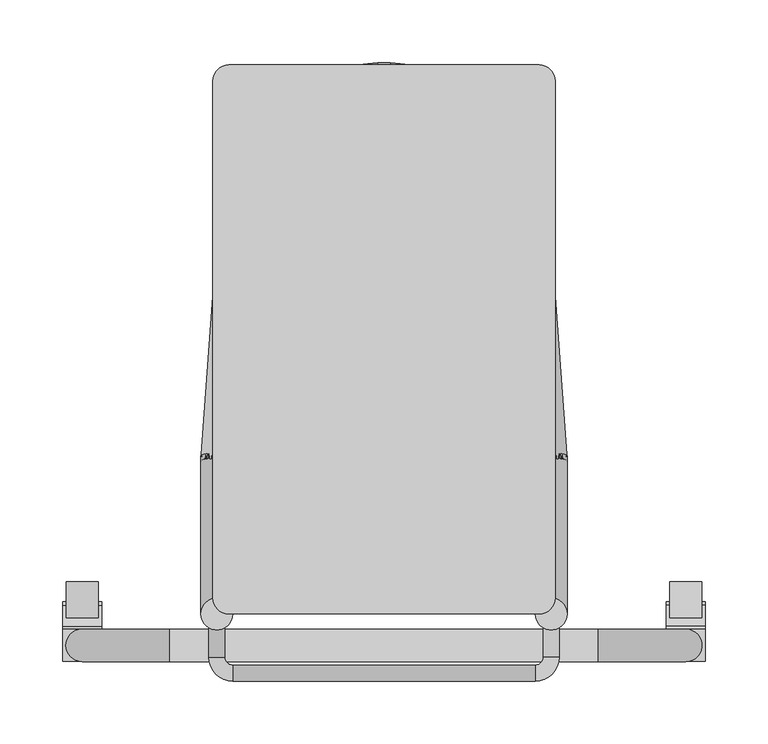
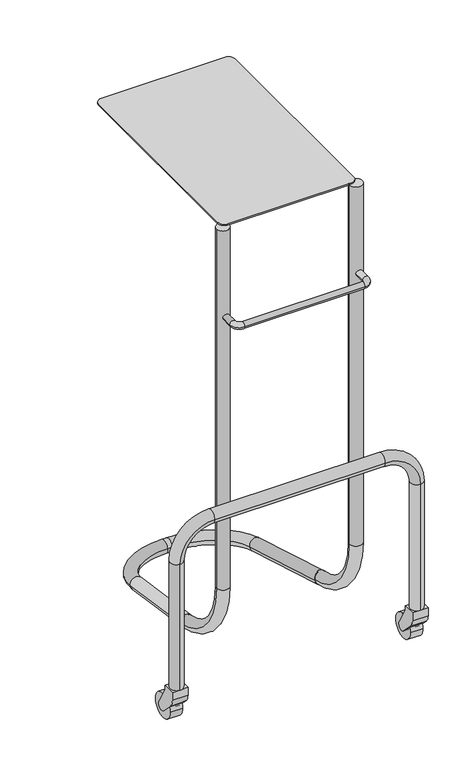
"""IFC4 building model written with IfcOpenShell, lengths in millimetres: proxy geometry."""

from ifc_helpers import new_model, si_unit, point, frame, frame_2d, origin, place, context, project, spatial, polyline, circle_curve, ellipse_curve, trimmed, segment, composite_curve, outline, extrude, source, transform, mapped, element, save
from ifc_brep_helpers import plane_surface, cylinder_surface, revolved_surface, advanced_brep


def specialty_equipment_4f1d01a6(model_context):
    return source(origin(), model_context, "Body", "SolidModel", [
        advanced_brep(
        [(-126.6890783, -210.8754424, 812.8), (-139.3890783, -210.8754424, 812.8), (-139.3890783, -236.2754424, 812.8), (-126.6890783, -236.2754424, 812.8), (-120.3390783, -255.3254424, 812.8), (-120.3390783, -242.6254424, 812.8), (120.9609217, -255.3254424, 812.8), (120.9609217, -242.6254424, 812.8), (140.0109217, -236.2754424, 812.8), (127.3109217, -236.2754424, 812.8), (127.3109217, -210.8754424, 812.8), (140.0109217, -210.8754424, 812.8)],
        [
            (0, 1, circle_curve(frame((-133.0390783, -210.8754424, 812.8), z_axis=(0.0, 1.0, 0.0), x_axis=(-1.0, 0.0, 0.0)), 6.35)),
            (1, 0, circle_curve(frame((-133.0390783, -210.8754424, 812.8), z_axis=(0.0, 1.0, 0.0), x_axis=(-1.0, 0.0, 0.0)), 6.35)),
            (1, 2),
            (2, 3, circle_curve(frame((-133.0390783, -236.2754424, 812.8), z_axis=(0.0, 1.0, 0.0), x_axis=(-1.0, 0.0, 0.0)), 6.35)),
            (3, 0),
            (3, 2, circle_curve(frame((-133.0390783, -236.2754424, 812.8), z_axis=(0.0, 1.0, 0.0), x_axis=(-1.0, 0.0, 0.0)), 6.35)),
            (4, 5, circle_curve(frame((-120.3390783, -248.9754424, 812.8), z_axis=(-1.0, 0.0, 0.0), x_axis=(0.0, -1.0, 0.0)), 6.35)),
            (5, 3, circle_curve(frame((-120.3390783, -236.2754424, 812.8), z_axis=(0.0, 0.0, -1.0), x_axis=(-1.0, 0.0, 0.0)), 6.35)),
            (2, 4, circle_curve(frame((-120.3390783, -236.2754424, 812.8), z_axis=(0.0, 0.0, 1.0), x_axis=(-1.0, 0.0, 0.0)), 19.05)),
            (5, 4, circle_curve(frame((-120.3390783, -248.9754424, 812.8), z_axis=(-1.0, 0.0, 0.0), x_axis=(0.0, -1.0, 0.0)), 6.35)),
            (4, 6),
            (6, 7, circle_curve(frame((120.9609217, -248.9754424, 812.8), z_axis=(-1.0, 0.0, 0.0), x_axis=(0.0, -1.0, 0.0)), 6.35)),
            (7, 5),
            (7, 6, circle_curve(frame((120.9609217, -248.9754424, 812.8), z_axis=(-1.0, 0.0, 0.0), x_axis=(0.0, -1.0, 0.0)), 6.35)),
            (8, 9, circle_curve(frame((133.6609217, -236.2754424, 812.8), z_axis=(0.0, -1.0, 0.0), x_axis=(1.0, 0.0, 0.0)), 6.35)),
            (9, 7, circle_curve(frame((120.9609217, -236.2754424, 812.8), z_axis=(0.0, 0.0, -1.0), x_axis=(0.0, -1.0, 0.0)), 6.35)),
            (6, 8, circle_curve(frame((120.9609217, -236.2754424, 812.8), z_axis=(0.0, 0.0, 1.0), x_axis=(0.0, -1.0, 0.0)), 19.05)),
            (9, 8, circle_curve(frame((133.6609217, -236.2754424, 812.8), z_axis=(0.0, -1.0, 0.0), x_axis=(1.0, 0.0, 0.0)), 6.35)),
            (10, 11, circle_curve(frame((133.6609217, -210.8754424, 812.8), z_axis=(0.0, 1.0, 0.0), x_axis=(1.0, 0.0, 0.0)), 6.35)),
            (11, 10, circle_curve(frame((133.6609217, -210.8754424, 812.8), z_axis=(0.0, 1.0, 0.0), x_axis=(1.0, 0.0, 0.0)), 6.35)),
            (8, 11),
            (10, 9),
        ],
        [
            plane_surface(frame((-133.0390783, -210.8754424, 0.0), z_axis=(0.0, 1.0, 0.0), x_axis=(0.0, 0.0, 1.0))),
            cylinder_surface(frame((-133.0390783, -210.8754424, 812.8), z_axis=(0.0, 1.0, 0.0), x_axis=(-1.0, 0.0, 0.0)), 6.35),
            revolved_surface(trimmed(ellipse_curve(frame((-133.0390783, -236.2754424, 812.8), z_axis=(0.0, -1.0, 0.0), x_axis=(-1.0, 0.0, 0.0)), 6.35, 6.35), [point((-126.6890783, -236.2754424, 812.8))], [point((-139.3890783, -236.2754424, 812.8))], True, "CARTESIAN"), (-120.3390783, -236.2754424, 0.0), (0.0, 0.0, -1.0)),
            revolved_surface(trimmed(ellipse_curve(frame((-133.0390783, -236.2754424, 812.8), z_axis=(0.0, -1.0, 0.0), x_axis=(-1.0, 0.0, 0.0)), 6.35, 6.35), [point((-139.3890783, -236.2754424, 812.8))], [point((-126.6890783, -236.2754424, 812.8))], True, "CARTESIAN"), (-120.3390783, -236.2754424, 0.0), (0.0, 0.0, -1.0)),
            cylinder_surface(frame((-120.3390783, -248.9754424, 812.8), z_axis=(-1.0, 0.0, 0.0), x_axis=(0.0, -1.0, 0.0)), 6.35),
            revolved_surface(trimmed(ellipse_curve(frame((120.9609217, -248.9754424, 812.8), z_axis=(1.0, 0.0, 0.0), x_axis=(0.0, -1.0, 0.0)), 6.35, 6.35), [point((120.9609217, -242.6254424, 812.8))], [point((120.9609217, -255.3254424, 812.8))], True, "CARTESIAN"), (120.9609217, -236.2754424, 0.0), (0.0, 0.0, -1.0)),
            revolved_surface(trimmed(ellipse_curve(frame((120.9609217, -248.9754424, 812.8), z_axis=(1.0, 0.0, 0.0), x_axis=(0.0, -1.0, 0.0)), 6.35, 6.35), [point((120.9609217, -255.3254424, 812.8))], [point((120.9609217, -242.6254424, 812.8))], True, "CARTESIAN"), (120.9609217, -236.2754424, 0.0), (0.0, 0.0, -1.0)),
            plane_surface(frame((133.6609217, -210.8754424, 0.0), z_axis=(0.0, 1.0, 0.0), x_axis=(0.0, 0.0, 1.0))),
            cylinder_surface(frame((133.6609217, -236.2754424, 812.8), z_axis=(0.0, -1.0, 0.0), x_axis=(1.0, 0.0, 0.0)), 6.35),
        ],
        [
            (0, [[1, 2]]),
            (1, [[3, 4, 5, -2]]),
            (1, [[-5, 6, -3, -1]]),
            (2, [[7, 8, -4, 9]]),
            (3, [[10, -9, -6, -8]]),
            (4, [[11, 12, 13, -7]]),
            (4, [[-13, 14, -11, -10]]),
            (5, [[15, 16, -12, 17]]),
            (6, [[18, -17, -14, -16]]),
            (7, [[19, 20]]),
            (8, [[21, -19, 22, -15]]),
            (8, [[-22, -20, -21, -18]]),
        ],
    ),
        advanced_brep(
        [(241.1146411, -213.8046841, 76.2), (241.1146411, -239.7603256, 76.2), (241.1146411, -239.7603256, 342.9), (241.1146411, -213.8046841, 342.9), (171.2646411, -239.7603256, 412.75), (171.2646411, -213.8046841, 412.75), (-170.6427977, -239.7603256, 412.75), (-170.6427977, -213.8046841, 412.75), (-240.4927977, -239.7603256, 342.9), (-240.4927977, -213.8046841, 342.9), (-240.4927977, -213.8046841, 76.2), (-240.4927977, -239.7603256, 76.2)],
        [
            (0, 1, circle_curve(frame((241.1146411, -226.7825049, 76.2), z_axis=(0.0, 0.0, -1.0), x_axis=(0.0, -1.0, 0.0)), 12.9778207)),
            (1, 0, circle_curve(frame((241.1146411, -226.7825049, 76.2), z_axis=(0.0, 0.0, -1.0), x_axis=(0.0, -1.0, 0.0)), 12.9778207)),
            (1, 2),
            (2, 3, circle_curve(frame((241.1146411, -226.7825049, 342.9), z_axis=(0.0, 0.0, -1.0), x_axis=(0.0, -1.0, 0.0)), 12.9778207)),
            (3, 0),
            (3, 2, circle_curve(frame((241.1146411, -226.7825049, 342.9), z_axis=(0.0, 0.0, -1.0), x_axis=(0.0, -1.0, 0.0)), 12.9778207)),
            (4, 5, circle_curve(frame((171.2646411, -226.7825049, 412.75), z_axis=(1.0, 0.0, 0.0), x_axis=(0.0, -1.0, 0.0)), 12.9778207)),
            (5, 3, circle_curve(frame((171.2646411, -213.8046841, 342.9), z_axis=(0.0, 1.0, 0.0), x_axis=(1.0, 0.0, 0.0)), 69.85)),
            (2, 4, circle_curve(frame((171.2646411, -239.7603256, 342.9), z_axis=(0.0, -1.0, 0.0), x_axis=(1.0, 0.0, 0.0)), 69.85)),
            (5, 4, circle_curve(frame((171.2646411, -226.7825049, 412.75), z_axis=(1.0, 0.0, 0.0), x_axis=(0.0, -1.0, 0.0)), 12.9778207)),
            (4, 6),
            (6, 7, circle_curve(frame((-170.6427977, -226.7825049, 412.75), z_axis=(1.0, 0.0, 0.0), x_axis=(0.0, -1.0, 0.0)), 12.9778207)),
            (7, 5),
            (7, 6, circle_curve(frame((-170.6427977, -226.7825049, 412.75), z_axis=(1.0, 0.0, 0.0), x_axis=(0.0, -1.0, 0.0)), 12.9778207)),
            (8, 9, circle_curve(frame((-240.4927977, -226.7825049, 342.9), z_axis=(0.0, 0.0, 1.0), x_axis=(0.0, -1.0, 0.0)), 12.9778207)),
            (9, 7, circle_curve(frame((-170.6427977, -213.8046841, 342.9), z_axis=(0.0, 1.0, 0.0), x_axis=(0.0, 0.0, 1.0)), 69.85)),
            (6, 8, circle_curve(frame((-170.6427977, -239.7603256, 342.9), z_axis=(0.0, -1.0, 0.0), x_axis=(0.0, 0.0, 1.0)), 69.85)),
            (9, 8, circle_curve(frame((-240.4927977, -226.7825049, 342.9), z_axis=(0.0, 0.0, 1.0), x_axis=(0.0, -1.0, 0.0)), 12.9778207)),
            (10, 11, circle_curve(frame((-240.4927977, -226.7825049, 76.2), z_axis=(0.0, 0.0, -1.0), x_axis=(0.0, -1.0, 0.0)), 12.9778207)),
            (11, 10, circle_curve(frame((-240.4927977, -226.7825049, 76.2), z_axis=(0.0, 0.0, -1.0), x_axis=(0.0, -1.0, 0.0)), 12.9778207)),
            (8, 11),
            (10, 9),
        ],
        [
            plane_surface(frame((241.1146411, 17.2197448, 76.2), z_axis=(0.0, 0.0, -1.0), x_axis=(0.0, -1.0, 0.0))),
            cylinder_surface(frame((241.1146411, -226.7825049, 76.2), z_axis=(0.0, 0.0, -1.0), x_axis=(0.0, -1.0, 0.0)), 12.9778207),
            revolved_surface(trimmed(ellipse_curve(frame((241.1146411, -226.7825049, 342.9), z_axis=(0.0, 0.0, 1.0), x_axis=(0.0, -1.0, 0.0)), 12.9778207, 12.9778207), [point((241.1146411, -213.8046841, 342.9))], [point((241.1146411, -239.7603256, 342.9))], True, "CARTESIAN"), (171.2646411, 17.2197448, 342.9), (0.0, 1.0, 0.0)),
            revolved_surface(trimmed(ellipse_curve(frame((241.1146411, -226.7825049, 342.9), z_axis=(0.0, 0.0, 1.0), x_axis=(0.0, -1.0, 0.0)), 12.9778207, 12.9778207), [point((241.1146411, -239.7603256, 342.9))], [point((241.1146411, -213.8046841, 342.9))], True, "CARTESIAN"), (171.2646411, 17.2197448, 342.9), (0.0, 1.0, 0.0)),
            cylinder_surface(frame((171.2646411, -226.7825049, 412.75), z_axis=(1.0, 0.0, 0.0), x_axis=(0.0, -1.0, 0.0)), 12.9778207),
            revolved_surface(trimmed(ellipse_curve(frame((-170.6427977, -226.7825049, 412.75), z_axis=(-1.0, 0.0, 0.0), x_axis=(0.0, -1.0, 0.0)), 12.9778207, 12.9778207), [point((-170.6427977, -213.8046841, 412.75))], [point((-170.6427977, -239.7603256, 412.75))], True, "CARTESIAN"), (-170.6427977, 17.2197448, 342.9), (0.0, 1.0, 0.0)),
            revolved_surface(trimmed(ellipse_curve(frame((-170.6427977, -226.7825049, 412.75), z_axis=(-1.0, 0.0, 0.0), x_axis=(0.0, -1.0, 0.0)), 12.9778207, 12.9778207), [point((-170.6427977, -239.7603256, 412.75))], [point((-170.6427977, -213.8046841, 412.75))], True, "CARTESIAN"), (-170.6427977, 17.2197448, 342.9), (0.0, 1.0, 0.0)),
            plane_surface(frame((-240.4927977, 17.2197448, 76.2), z_axis=(0.0, 0.0, -1.0), x_axis=(0.0, -1.0, 0.0))),
            cylinder_surface(frame((-240.4927977, -226.7825049, 342.9), z_axis=(0.0, 0.0, 1.0), x_axis=(0.0, -1.0, 0.0)), 12.9778207),
        ],
        [
            (0, [[1, 2]]),
            (1, [[3, 4, 5, -2]]),
            (1, [[-5, 6, -3, -1]]),
            (2, [[7, 8, -4, 9]]),
            (3, [[10, -9, -6, -8]]),
            (4, [[11, 12, 13, -7]]),
            (4, [[-13, 14, -11, -10]]),
            (5, [[15, 16, -12, 17]]),
            (6, [[18, -17, -14, -16]]),
            (7, [[19, 20]]),
            (8, [[21, -19, 22, -15]]),
            (8, [[-22, -20, -21, -18]]),
        ],
    ),
        extrude(outline(composite_curve([segment(polyline([(-239.5519774, 59.8228937), (-239.5519774, 76.2), (-214.0560132, 76.2), (-214.0560132, 70.2023074)]), True, "CONTINUOUS"), segment(trimmed(circle_curve(frame_2d((-194.9390027, 71.1049701)), 19.1383095), [point((-214.0560132, 70.2023074))], [point((-211.5132649, 61.5358153))], True, "CARTESIAN"), True, "CONTINUOUS"), segment(polyline([(-211.5132649, 61.5358153), (-194.8726414, 32.7134099)]), True, "CONTINUOUS"), segment(trimmed(circle_curve(frame_2d((-201.6078335, 25.9782178)), 9.525), [point((-194.8726414, 32.7134099))], [point((-208.3430256, 19.2430257))], False, "CARTESIAN"), True, "CONTINUOUS"), segment(polyline([(-208.3430256, 19.2430257), (-232.5453683, 43.4453685)]), True, "CONTINUOUS"), segment(trimmed(circle_curve(frame_2d((-216.9079352, 59.8228937)), 22.6440422), [point((-232.5453683, 43.4453685))], [point((-239.5519774, 59.8228937))], False, "CARTESIAN"), True, "CONTINUOUS")], self_intersect=False)), frame((225.5357109, 0.0, 0.0), z_axis=(1.0, 0.0, 0.0), x_axis=(0.0, 1.0, 0.0)), (0.0, 0.0, 1.0), 31.1578605),
        extrude(outline(composite_curve([segment(trimmed(circle_curve(frame_2d((-201.4519773, 25.4)), 25.4), [point((-176.0519773, 25.4))], [point((-226.8519773, 25.4))], False, "CARTESIAN"), True, "CONTINUOUS"), segment(trimmed(circle_curve(frame_2d((-201.4519773, 25.4)), 25.4), [point((-226.8519773, 25.4))], [point((-176.0519773, 25.4))], False, "CARTESIAN"), True, "CONTINUOUS")], self_intersect=False)), frame((228.4777015, 0.0, 0.0), z_axis=(1.0, 0.0, 0.0), x_axis=(0.0, 1.0, 0.0)), (0.0, 0.0, 1.0), 25.4),
        extrude(outline(composite_curve([segment(polyline([(-239.5519774, 59.8228937), (-239.5519774, 76.2), (-214.0560132, 76.2), (-214.0560132, 70.2023074)]), True, "CONTINUOUS"), segment(trimmed(circle_curve(frame_2d((-194.9390027, 71.1049701)), 19.1383095), [point((-214.0560132, 70.2023074))], [point((-211.5132649, 61.5358153))], True, "CARTESIAN"), True, "CONTINUOUS"), segment(polyline([(-211.5132649, 61.5358153), (-194.8726414, 32.7134099)]), True, "CONTINUOUS"), segment(trimmed(circle_curve(frame_2d((-201.6078335, 25.9782178)), 9.525), [point((-194.8726414, 32.7134099))], [point((-208.3430256, 19.2430257))], False, "CARTESIAN"), True, "CONTINUOUS"), segment(polyline([(-208.3430256, 19.2430257), (-232.5453683, 43.4453685)]), True, "CONTINUOUS"), segment(trimmed(circle_curve(frame_2d((-216.9079352, 59.8228937)), 22.6440422), [point((-232.5453683, 43.4453685))], [point((-239.5519774, 59.8228937))], False, "CARTESIAN"), True, "CONTINUOUS")], self_intersect=False)), frame((-256.071728, 0.0, 0.0), z_axis=(1.0, 0.0, 0.0), x_axis=(0.0, 1.0, 0.0)), (0.0, 0.0, 1.0), 31.1578605),
        extrude(outline(composite_curve([segment(trimmed(circle_curve(frame_2d((-201.4519773, 25.4)), 25.4), [point((-176.0519773, 25.4))], [point((-226.8519773, 25.4))], False, "CARTESIAN"), True, "CONTINUOUS"), segment(trimmed(circle_curve(frame_2d((-201.4519773, 25.4)), 25.4), [point((-226.8519773, 25.4))], [point((-176.0519773, 25.4))], False, "CARTESIAN"), True, "CONTINUOUS")], self_intersect=False)), frame((-253.2558581, 0.0, 0.0), z_axis=(1.0, 0.0, 0.0), x_axis=(0.0, 1.0, 0.0)), (0.0, 0.0, 1.0), 25.4),
        advanced_brep(
        [(-145.7081418, -79.7843699, 86.3661535), (-120.3700149, -81.5107728, 86.764725), (-105.8461755, 120.8664548, 40.0422606), (-131.1843024, 122.5928577, 39.643689), (-4.493668, 212.9568416, 18.7815195), (-4.493668, 237.7058412, 13.0677627), (5.1155113, 212.9568416, 18.7815195), (5.1155113, 237.7058412, 13.0677627), (106.4680188, 120.8664548, 40.0422606), (131.8061457, 122.5928577, 39.643689), (146.3299851, -79.7843699, 86.3661535), (120.9918582, -81.5107728, 86.764725)],
        [
            (0, 1, circle_curve(frame((-133.0390783, -80.6475713, 86.5654393), z_axis=(-0.0697564737441234, -0.9719965482790884, 0.22440308488147717), x_axis=(0.9975640502598245, -0.06796861984125109, 0.015691792316050647)), 12.7)),
            (1, 0, circle_curve(frame((-133.0390783, -80.6475713, 86.5654393), z_axis=(-0.0697564737441234, -0.9719965482790884, 0.22440308488147717), x_axis=(0.9975640502598245, -0.06796861984125109, 0.015691792316050647)), 12.7)),
            (1, 2),
            (2, 3, circle_curve(frame((-118.5152389, 121.7296563, 39.8429748), z_axis=(-0.0697564737441234, -0.9719965482790884, 0.22440308488147717), x_axis=(0.9975640502598245, -0.06796861984125109, 0.015691792316050647)), 12.7)),
            (3, 0),
            (3, 2, circle_curve(frame((-118.5152389, 121.7296563, 39.8429748), z_axis=(-0.0697564737441234, -0.9719965482790884, 0.22440308488147717), x_axis=(0.9975640502598245, -0.06796861984125109, 0.015691792316050647)), 12.7)),
            (4, 5, circle_curve(frame((-4.493668, 225.3313414, 15.9246411), z_axis=(-1.0, 0.0, 0.0), x_axis=(0.0, -0.9743700647852367, 0.22495105434385831)), 12.7)),
            (5, 3, circle_curve(frame((-4.493668, 113.960843, 41.6365466), z_axis=(0.0, 0.22495105434385831, 0.9743700647852368), x_axis=(-0.9975640502598243, 0.06796861984125117, -0.015691792316050664)), 127.0)),
            (2, 4, circle_curve(frame((-4.493668, 113.960843, 41.6365466), z_axis=(0.0, -0.22495105434385831, -0.9743700647852368), x_axis=(-0.9975640502598243, 0.06796861984125117, -0.015691792316050664)), 101.6)),
            (5, 4, circle_curve(frame((-4.493668, 225.3313414, 15.9246411), z_axis=(-0.9999999999999999, 0.0, 0.0), x_axis=(0.0, -0.9743700647852367, 0.2249510543438583)), 12.7)),
            (4, 6),
            (6, 7, circle_curve(frame((5.1155113, 225.3313414, 15.9246411), z_axis=(-1.0, 0.0, 0.0), x_axis=(0.0, -0.9743700647852369, 0.22495105434385834)), 12.7)),
            (7, 5),
            (7, 6, circle_curve(frame((5.1155113, 225.3313414, 15.9246411), z_axis=(-1.0, 0.0, 0.0), x_axis=(0.0, -0.9743700647852369, 0.22495105434385834)), 12.7)),
            (8, 9, circle_curve(frame((119.1370823, 121.7296563, 39.8429748), z_axis=(-0.0697564737441281, 0.971996548279088, -0.22440308488147714), x_axis=(-0.9975640502598241, -0.06796861984125586, 0.015691792316050873)), 12.7)),
            (9, 7, circle_curve(frame((5.1155113, 113.960843, 41.6365466), z_axis=(0.0, 0.22495105434385831, 0.9743700647852368), x_axis=(0.0, 0.9743700647852368, -0.22495105434385831)), 127.0)),
            (6, 8, circle_curve(frame((5.1155113, 113.960843, 41.6365466), z_axis=(0.0, -0.22495105434385831, -0.9743700647852368), x_axis=(0.0, 0.9743700647852368, -0.22495105434385831)), 101.6)),
            (9, 8, circle_curve(frame((119.1370823, 121.7296563, 39.8429748), z_axis=(-0.06975647374412788, 0.971996548279088, -0.22440308488147714), x_axis=(-0.9975640502598241, -0.06796861984125566, 0.015691792316050824)), 12.7)),
            (10, 11, circle_curve(frame((133.6609217, -80.6475713, 86.5654393), z_axis=(0.06975647374412713, -0.9719965482790881, 0.22440308488147723), x_axis=(-0.9975640502598242, -0.06796861984125492, 0.015691792316050664)), 12.7)),
            (11, 10, circle_curve(frame((133.6609217, -80.6475713, 86.5654393), z_axis=(0.06975647374412713, -0.9719965482790881, 0.22440308488147723), x_axis=(-0.9975640502598242, -0.06796861984125492, 0.015691792316050664)), 12.7)),
            (8, 11),
            (10, 9),
        ],
        [
            plane_surface(frame((-133.0390783, -80.6475713, 86.5654393), z_axis=(-0.0697564737441234, -0.9719965482790884, 0.22440308488147717), x_axis=(0.0, 0.22495105434385831, 0.9743700647852368))),
            cylinder_surface(frame((-133.0390783, -80.6475713, 86.5654393), z_axis=(-0.0697564737441234, -0.9719965482790884, 0.22440308488147717), x_axis=(0.9975640502598245, -0.06796861984125109, 0.015691792316050647)), 12.7),
            revolved_surface(trimmed(ellipse_curve(frame((-118.5152389, 121.7296563, 39.8429748), z_axis=(0.06975647374412344, 0.9719965482790882, -0.22440308488147712), x_axis=(0.9975640502598243, -0.06796861984125113, 0.01569179231605066)), 12.7, 12.7), [point((-131.1843024, 122.5928577, 39.643689))], [point((-105.8461755, 120.8664548, 40.0422606))], True, "CARTESIAN"), (-4.493668, 113.960843, 41.6365466), (0.0, 0.22495105434385831, 0.9743700647852368)),
            revolved_surface(trimmed(ellipse_curve(frame((-118.5152389, 121.7296563, 39.8429748), z_axis=(0.06975647374412344, 0.9719965482790882, -0.22440308488147712), x_axis=(0.9975640502598243, -0.06796861984125113, 0.01569179231605066)), 12.7, 12.7), [point((-105.8461755, 120.8664548, 40.0422606))], [point((-131.1843024, 122.5928577, 39.643689))], True, "CARTESIAN"), (-4.493668, 113.960843, 41.6365466), (0.0, 0.22495105434385831, 0.9743700647852368)),
            cylinder_surface(frame((-4.493668, 225.3313414, 15.9246411), z_axis=(-1.0000000000000002, 0.0, 0.0), x_axis=(0.0, -0.9743700647852369, 0.22495105434385834)), 12.7),
            revolved_surface(trimmed(ellipse_curve(frame((5.1155113, 225.3313414, 15.9246411), z_axis=(1.0, 0.0, 0.0), x_axis=(0.0, -0.9743700647852368, 0.22495105434385831)), 12.7, 12.7), [point((5.1155113, 237.7058412, 13.0677627))], [point((5.1155113, 212.9568416, 18.7815195))], True, "CARTESIAN"), (5.1155113, 113.960843, 41.6365466), (0.0, 0.22495105434385831, 0.9743700647852368)),
            revolved_surface(trimmed(ellipse_curve(frame((5.1155113, 225.3313414, 15.9246411), z_axis=(1.0, 0.0, 0.0), x_axis=(0.0, -0.9743700647852368, 0.22495105434385831)), 12.7, 12.7), [point((5.1155113, 212.9568416, 18.7815195))], [point((5.1155113, 237.7058412, 13.0677627))], True, "CARTESIAN"), (5.1155113, 113.960843, 41.6365466), (0.0, 0.22495105434385831, 0.9743700647852368)),
            plane_surface(frame((133.6609217, -80.6475713, 86.5654393), z_axis=(0.06975647374412708, -0.971996548279088, 0.22440308488147714), x_axis=(0.0, 0.22495105434385834, 0.9743700647852368))),
            cylinder_surface(frame((119.1370823, 121.7296563, 39.8429748), z_axis=(-0.06975647374412713, 0.9719965482790881, -0.22440308488147723), x_axis=(-0.9975640502598242, -0.06796861984125492, 0.015691792316050664)), 12.7),
        ],
        [
            (0, [[1, 2]]),
            (1, [[3, 4, 5, -2]]),
            (1, [[-5, 6, -3, -1]]),
            (2, [[7, 8, -4, 9]]),
            (3, [[10, -9, -6, -8]]),
            (4, [[11, 12, 13, -7]]),
            (4, [[-13, 14, -11, -10]]),
            (5, [[15, 16, -12, 17]]),
            (6, [[18, -17, -14, -16]]),
            (7, [[19, 20]]),
            (8, [[21, -19, 22, -15]]),
            (8, [[-22, -20, -21, -18]]),
        ],
    ),
        advanced_brep(
        [(146.3609217, -201.8552552, 996.6409151), (120.9609217, -201.8552552, 996.6409151), (120.9609217, -201.8552552, 235.8329339), (146.3609217, -201.8552552, 235.8329339), (146.3609217, -75.5574845, 85.6848949), (120.9609217, -75.5574845, 85.6848949)],
        [
            (0, 1, circle_curve(frame((133.6609217, -201.8552552, 996.6409151), z_axis=(0.0, 0.0, 1.0), x_axis=(-1.0, 0.0, 0.0)), 12.7)),
            (1, 0, circle_curve(frame((133.6609217, -201.8552552, 996.6409151), z_axis=(0.0, 0.0, 1.0), x_axis=(-1.0, 0.0, 0.0)), 12.7)),
            (1, 2),
            (2, 3, circle_curve(frame((133.6609217, -201.8552552, 235.8329339), z_axis=(0.0, 0.0, 1.0), x_axis=(-1.0, 0.0, 0.0)), 12.7)),
            (3, 0),
            (3, 2, circle_curve(frame((133.6609217, -201.8552552, 235.8329339), z_axis=(0.0, 0.0, 1.0), x_axis=(-1.0, 0.0, 0.0)), 12.7)),
            (4, 5, circle_curve(frame((133.6609217, -75.5574845, 85.6848949), z_axis=(0.0, 0.9852233532397917, -0.1712744704587949), x_axis=(-1.0, 0.0, 0.0)), 12.7)),
            (5, 4, circle_curve(frame((133.6609217, -75.5574845, 85.6848949), z_axis=(0.0, 0.9852233532397917, -0.1712744704587949), x_axis=(-1.0, 0.0, 0.0)), 12.7)),
            (4, 3, circle_curve(frame((146.3609217, -49.4552552, 235.8329339), z_axis=(-1.0, 0.0, 0.0), x_axis=(0.0, -1.0, 0.0)), 152.4)),
            (2, 5, circle_curve(frame((120.9609217, -49.4552552, 235.8329339), z_axis=(1.0, 0.0, 0.0), x_axis=(0.0, -1.0, 0.0)), 152.4)),
        ],
        [
            plane_surface(frame((0.3109217, -201.8552552, 996.6409151), z_axis=(0.0, 0.0, 1.0), x_axis=(-1.0, 0.0, 0.0))),
            cylinder_surface(frame((133.6609217, -201.8552552, 996.6409151), z_axis=(0.0, 0.0, 1.0), x_axis=(-1.0, 0.0, 0.0)), 12.7),
            plane_surface(frame((0.3109217, -75.5574845, 85.6848949), z_axis=(0.0, 0.9852233532397917, -0.17127447045879493), x_axis=(-1.0, 0.0, 0.0))),
            revolved_surface(trimmed(ellipse_curve(frame((133.6609217, -201.8552552, 235.8329339), z_axis=(0.0, 0.0, -1.0), x_axis=(-1.0, 0.0, 0.0)), 12.7, 12.7), [point((146.3609217, -201.8552552, 235.8329339))], [point((120.9609217, -201.8552552, 235.8329339))], True, "CARTESIAN"), (0.3109217, -49.4552552, 235.8329339), (-1.0, 0.0, 0.0)),
            revolved_surface(trimmed(ellipse_curve(frame((133.6609217, -201.8552552, 235.8329339), z_axis=(0.0, 0.0, -1.0), x_axis=(-1.0, 0.0, 0.0)), 12.7, 12.7), [point((120.9609217, -201.8552552, 235.8329339))], [point((146.3609217, -201.8552552, 235.8329339))], True, "CARTESIAN"), (0.3109217, -49.4552552, 235.8329339), (-1.0, 0.0, 0.0)),
        ],
        [
            (0, [[1, 2]]),
            (1, [[3, 4, 5, -2]]),
            (1, [[-5, 6, -3, -1]]),
            (2, [[7, 8]]),
            (3, [[-7, 9, -4, 10]]),
            (4, [[-8, -10, -6, -9]]),
        ],
    ),
        advanced_brep(
        [(-145.7390783, -201.8552552, 996.6409151), (-120.3390783, -201.8552552, 996.6409151), (-120.3390783, -201.8552552, 235.8329339), (-145.7390783, -201.8552552, 235.8329339), (-145.7390783, -75.5574845, 85.6848949), (-120.3390783, -75.5574845, 85.6848949)],
        [
            (0, 1, circle_curve(frame((-133.0390783, -201.8552552, 996.6409151), z_axis=(0.0, 0.0, 1.0), x_axis=(1.0, 0.0, 0.0)), 12.7)),
            (1, 0, circle_curve(frame((-133.0390783, -201.8552552, 996.6409151), z_axis=(0.0, 0.0, 1.0), x_axis=(1.0, 0.0, 0.0)), 12.7)),
            (1, 2),
            (2, 3, circle_curve(frame((-133.0390783, -201.8552552, 235.8329339), z_axis=(0.0, 0.0, 1.0), x_axis=(1.0, 0.0, 0.0)), 12.7)),
            (3, 0),
            (3, 2, circle_curve(frame((-133.0390783, -201.8552552, 235.8329339), z_axis=(0.0, 0.0, 1.0), x_axis=(1.0, 0.0, 0.0)), 12.7)),
            (4, 5, circle_curve(frame((-133.0390783, -75.5574845, 85.6848949), z_axis=(0.0, 0.9852233532397917, -0.1712744704587949), x_axis=(1.0, 0.0, 0.0)), 12.7)),
            (5, 4, circle_curve(frame((-133.0390783, -75.5574845, 85.6848949), z_axis=(0.0, 0.9852233532397917, -0.1712744704587949), x_axis=(1.0, 0.0, 0.0)), 12.7)),
            (4, 3, circle_curve(frame((-145.7390783, -49.4552552, 235.8329339), z_axis=(-1.0, 0.0, 0.0), x_axis=(0.0, -1.0, 0.0)), 152.4)),
            (2, 5, circle_curve(frame((-120.3390783, -49.4552552, 235.8329339), z_axis=(1.0, 0.0, 0.0), x_axis=(0.0, -1.0, 0.0)), 152.4)),
        ],
        [
            plane_surface(frame((0.3109217, -201.8552552, 996.6409151), z_axis=(0.0, 0.0, 1.0), x_axis=(1.0, 0.0, 0.0))),
            cylinder_surface(frame((-133.0390783, -201.8552552, 996.6409151), z_axis=(0.0, 0.0, 1.0), x_axis=(1.0, 0.0, 0.0)), 12.7),
            plane_surface(frame((0.3109217, -75.5574845, 85.6848949), z_axis=(0.0, 0.9852233532397917, -0.17127447045879493), x_axis=(1.0, 0.0, 0.0))),
            revolved_surface(trimmed(ellipse_curve(frame((-133.0390783, -201.8552552, 235.8329339), z_axis=(0.0, 0.0, -1.0), x_axis=(1.0, 0.0, 0.0)), 12.7, 12.7), [point((-145.7390783, -201.8552552, 235.8329339))], [point((-120.3390783, -201.8552552, 235.8329339))], True, "CARTESIAN"), (0.3109217, -49.4552552, 235.8329339), (-1.0, 0.0, 0.0)),
            revolved_surface(trimmed(ellipse_curve(frame((-133.0390783, -201.8552552, 235.8329339), z_axis=(0.0, 0.0, -1.0), x_axis=(1.0, 0.0, 0.0)), 12.7, 12.7), [point((-120.3390783, -201.8552552, 235.8329339))], [point((-145.7390783, -201.8552552, 235.8329339))], True, "CARTESIAN"), (0.3109217, -49.4552552, 235.8329339), (-1.0, 0.0, 0.0)),
        ],
        [
            (0, [[1, 2]]),
            (1, [[3, 4, 5, -2]]),
            (1, [[-5, 6, -3, -1]]),
            (2, [[7, 8]]),
            (3, [[-7, 9, -4, 10]]),
            (4, [[-8, -10, -6, -9]]),
        ],
    ),
        extrude(outline(composite_curve([segment(polyline([(-136.2140783, -189.1552552), (-136.2140783, 223.5947448)]), True, "CONTINUOUS"), segment(trimmed(circle_curve(frame_2d((-123.5140783, 223.5947448)), 12.7), [point((-136.2140783, 223.5947448))], [point((-123.5140783, 236.2947448))], False, "CARTESIAN"), True, "CONTINUOUS"), segment(polyline([(-123.5140783, 236.2947448), (124.1359217, 236.2947448)]), True, "CONTINUOUS"), segment(trimmed(circle_curve(frame_2d((124.1359217, 223.5947448)), 12.7), [point((124.1359217, 236.2947448))], [point((136.8359217, 223.5947448))], False, "CARTESIAN"), True, "CONTINUOUS"), segment(polyline([(136.8359217, 223.5947448), (136.8359217, -189.1552552)]), True, "CONTINUOUS"), segment(trimmed(circle_curve(frame_2d((124.1359217, -189.1552552)), 12.7), [point((136.8359217, -189.1552552))], [point((124.1359217, -201.8552552))], False, "CARTESIAN"), True, "CONTINUOUS"), segment(polyline([(124.1359217, -201.8552552), (-123.5140783, -201.8552552)]), True, "CONTINUOUS"), segment(trimmed(circle_curve(frame_2d((-123.5140783, -189.1552552)), 12.7), [point((-123.5140783, -201.8552552))], [point((-136.2140783, -189.1552552))], False, "CARTESIAN"), True, "CONTINUOUS")], self_intersect=False)), frame((0.0, 0.0, 996.6409151), z_axis=(0.0, 0.0, 1.0), x_axis=(1.0, 0.0, 0.0)), (0.0, 0.0, 1.0), 3.175),
    ])


if __name__ == "__main__":
    model = new_model("IFC4")
    model_context = context("Model", 3, world=origin())
    ifc_project = project(units=[si_unit("LENGTHUNIT", "METRE", prefix="MILLI")], contexts=[model_context])
    site = spatial("IfcSite", under=ifc_project)
    building = spatial("IfcBuilding", under=site)
    placement = place(None, origin())
    specialty_equipment_shape = specialty_equipment_4f1d01a6(model_context)
    element("IfcBuildingElementProxy", 1, Name="Specialty Equipment", at=placement, inside=building, context=model_context, shape_type="MappedRepresentation", body=[
        mapped(specialty_equipment_shape, transform((0.0, 0.0, 0.0), x_axis=(1.0, 0.0, 0.0), y_axis=(0.0, 1.0, 0.0), z_axis=(0.0, 0.0, 1.0))),
    ])
    save(model, "model.ifc")
